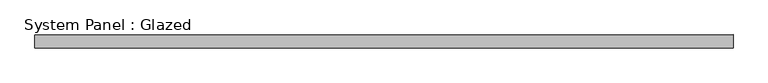
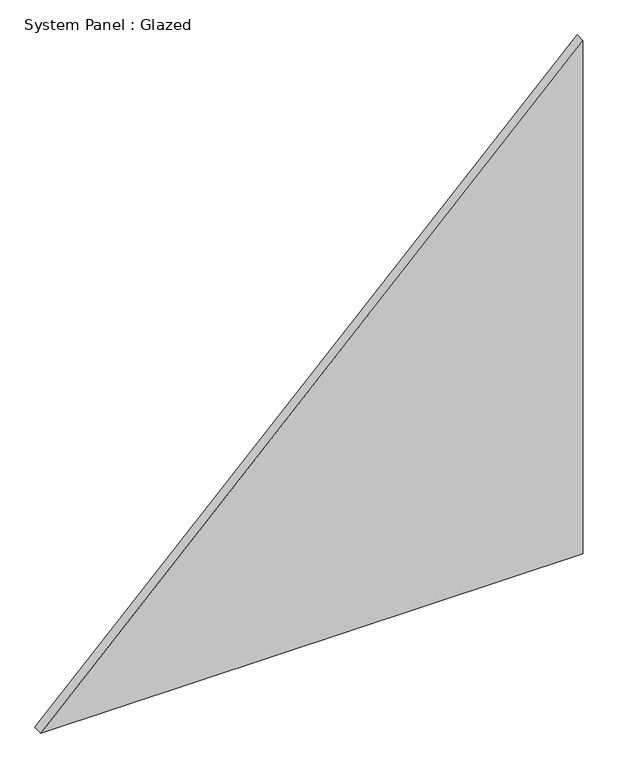
"""IFC4 building model written with IfcOpenShell, lengths in millimetres: plate geometry, System Panel : Glazed."""

from ifc_helpers import new_model, si_unit, frame, origin, place, context, project, spatial, polyline, outline, extrude, source, transform, mapped, element, save


def system_panel_glazed_195dd187(model_context):
    return source(origin(), model_context, "Body", "SweptSolid", [
        extrude(outline(polyline([(0.0, -665.1471863), (0.0, 665.1471863), (1330.2943725, 665.1471863), (0.0, -665.1471863)])), frame((0.0, 24.5, 0.0), z_axis=(0.0, 1.0, 0.0), x_axis=(0.0, 0.0, 1.0)), (0.0, 0.0, 1.0), 25.0),
    ])


if __name__ == "__main__":
    model = new_model("IFC4")
    model_context = context("Model", 3, world=origin())
    ifc_project = project(units=[si_unit("LENGTHUNIT", "METRE", prefix="MILLI")], contexts=[model_context])
    site = spatial("IfcSite", under=ifc_project)
    building = spatial("IfcBuilding", under=site)
    placement = place(None, origin())
    system_panel_glazed_shape = system_panel_glazed_195dd187(model_context)
    element("IfcPlate", 1, ObjectType="System Panel : Glazed", at=placement, inside=building, context=model_context, shape_type="MappedRepresentation", body=[
        mapped(system_panel_glazed_shape, transform((0.0, 0.0, 0.0), x_axis=(1.0, 0.0, 0.0), y_axis=(0.0, 1.0, 0.0), z_axis=(0.0, 0.0, 1.0))),
    ])
    save(model, "model.ifc")
